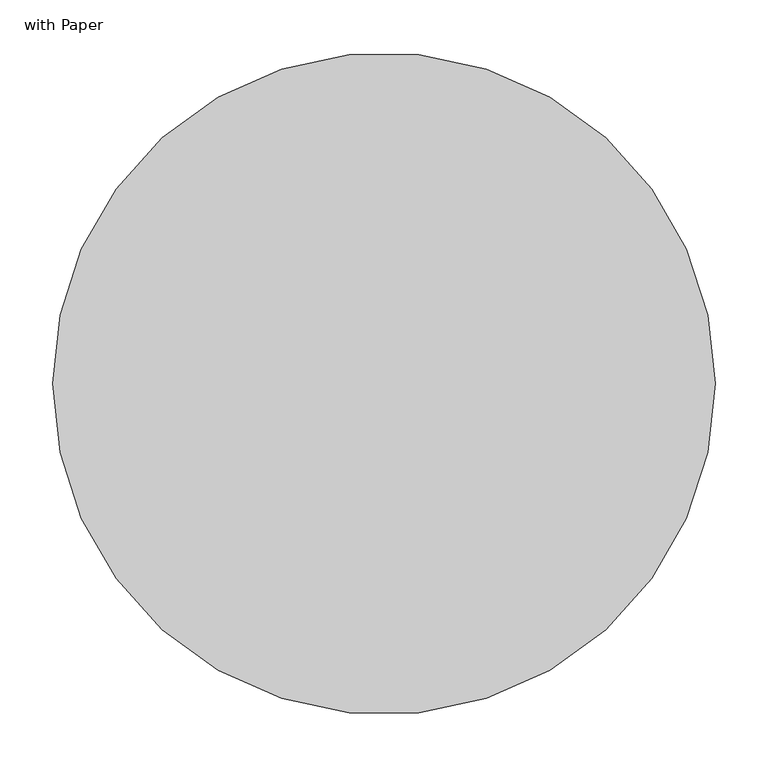
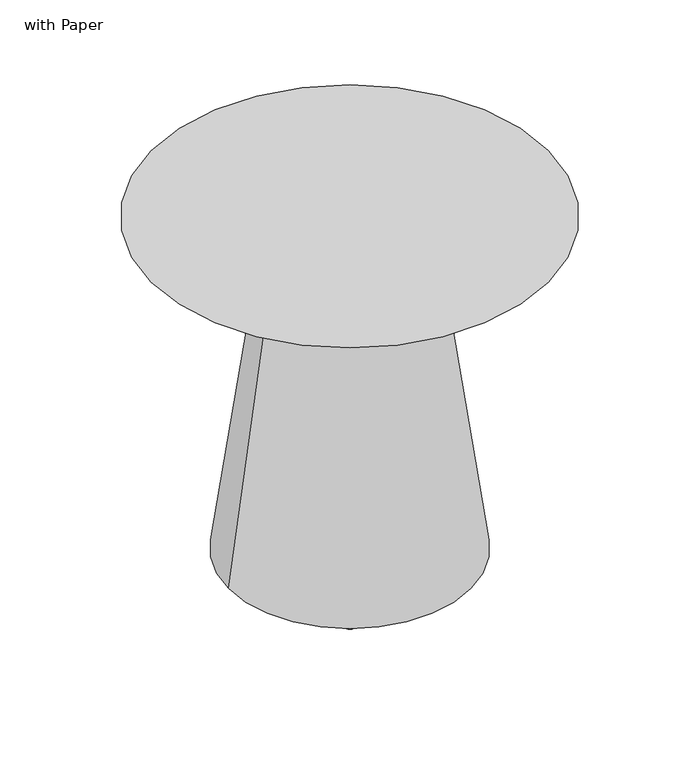
"""IFC4 building model written with IfcOpenShell, lengths in millimetres: furniture geometry, with Paper."""

from ifc_helpers import new_model, si_unit, point, frame, frame_2d, origin, origin_with_axes, place, context, project, spatial, polyline, circle_curve, trimmed, segment, composite_curve, outline, extrude, source, transform, mapped, element, save
from ifc_brep_helpers import plane_surface, revolved_surface, advanced_brep


def with_paper_dd9e00ab(model_context):
    return source(origin(), model_context, "Body", "SolidModel", [
        extrude(outline(composite_curve([segment(trimmed(circle_curve(frame_2d((-87.63, 151.7904)), 9.525), [point((-97.155, 151.7904))], [point((-78.105, 151.7904))], False, "CARTESIAN"), True, "CONTINUOUS"), segment(trimmed(circle_curve(frame_2d((-87.63, 151.7904)), 9.525), [point((-78.105, 151.7904))], [point((-97.155, 151.7904))], False, "CARTESIAN"), True, "CONTINUOUS")], self_intersect=False)), origin_with_axes(), (0.0, 0.0, 1.0), 5.5626),
        extrude(outline(composite_curve([segment(trimmed(circle_curve(frame_2d((87.63, 151.7904)), 9.525), [point((78.105, 151.7904))], [point((97.155, 151.7904))], False, "CARTESIAN"), True, "CONTINUOUS"), segment(trimmed(circle_curve(frame_2d((87.63, 151.7904)), 9.525), [point((97.155, 151.7904))], [point((78.105, 151.7904))], False, "CARTESIAN"), True, "CONTINUOUS")], self_intersect=False)), origin_with_axes(), (0.0, 0.0, 1.0), 5.5626),
        extrude(outline(composite_curve([segment(trimmed(circle_curve(frame_2d((175.26, 0.0)), 9.525), [point((165.735, 0.0))], [point((184.785, 0.0))], False, "CARTESIAN"), True, "CONTINUOUS"), segment(trimmed(circle_curve(frame_2d((175.26, 0.0)), 9.525), [point((184.785, 0.0))], [point((165.735, 0.0))], False, "CARTESIAN"), True, "CONTINUOUS")], self_intersect=False)), origin_with_axes(), (0.0, 0.0, 1.0), 5.5626),
        extrude(outline(composite_curve([segment(trimmed(circle_curve(frame_2d((87.63, -151.7688245)), 9.525), [point((78.105, -151.7688245))], [point((97.155, -151.7688245))], False, "CARTESIAN"), True, "CONTINUOUS"), segment(trimmed(circle_curve(frame_2d((87.63, -151.7688245)), 9.525), [point((97.155, -151.7688245))], [point((78.105, -151.7688245))], False, "CARTESIAN"), True, "CONTINUOUS")], self_intersect=False)), origin_with_axes(), (0.0, 0.0, 1.0), 5.5626),
        extrude(outline(composite_curve([segment(trimmed(circle_curve(frame_2d((-87.63, -151.7688245)), 9.525), [point((-97.155, -151.7688245))], [point((-78.105, -151.7688245))], False, "CARTESIAN"), True, "CONTINUOUS"), segment(trimmed(circle_curve(frame_2d((-87.63, -151.7688245)), 9.525), [point((-78.105, -151.7688245))], [point((-97.155, -151.7688245))], False, "CARTESIAN"), True, "CONTINUOUS")], self_intersect=False)), origin_with_axes(), (0.0, 0.0, 1.0), 5.5626),
        extrude(outline(composite_curve([segment(trimmed(circle_curve(frame_2d((-175.26, 0.0)), 9.525), [point((-184.785, 0.0))], [point((-165.735, 0.0))], False, "CARTESIAN"), True, "CONTINUOUS"), segment(trimmed(circle_curve(frame_2d((-175.26, 0.0)), 9.525), [point((-165.735, 0.0))], [point((-184.785, 0.0))], False, "CARTESIAN"), True, "CONTINUOUS")], self_intersect=False)), origin_with_axes(), (0.0, 0.0, 1.0), 5.5626),
        advanced_brep(
        [(-313.4233, 0.0, 559.1211053), (313.4233, 0.0, 559.1211053), (-127.0, 0.0, 469.2142), (127.0, 0.0, 469.2142)],
        [
            (0, 1, circle_curve(frame((0.0, 0.0, 559.1211053), z_axis=(0.0, 0.0, 1.0), x_axis=(-1.0, 0.0, 0.0)), 313.4233)),
            (1, 0, circle_curve(frame((0.0, 0.0, 559.1211053), z_axis=(0.0, 0.0, 1.0), x_axis=(1.0, 0.0, 0.0)), 313.4233)),
            (2, 3, circle_curve(frame((0.0, 0.0, 469.2142), z_axis=(0.0, 0.0, -1.0), x_axis=(1.0, 0.0, 0.0)), 127.0)),
            (3, 2, circle_curve(frame((0.0, 0.0, 469.2142), z_axis=(0.0, 0.0, -1.0), x_axis=(-1.0, 0.0, 0.0)), 127.0)),
            (3, 1),
            (0, 2),
        ],
        [
            plane_surface(frame((0.0, 0.0, 559.1211053), z_axis=(0.0, 0.0, 1.0), x_axis=(0.0, -1.0, 0.0))),
            plane_surface(frame((0.0, 0.0, 469.2142), z_axis=(0.0, 0.0, -1.0), x_axis=(0.0, -1.0, 0.0))),
            revolved_surface(polyline([(126.99999993697708, 0.0, 469.2142), (313.4233, 0.0, 559.1211053)]), (0.0, 0.0, 407.9655419), (0.0, 0.0, 1.0)),
            revolved_surface(polyline([(-126.99999993697708, 0.0, 469.2142), (-313.4233, 0.0, 559.1211053)]), (0.0, 0.0, 407.9655419), (0.0, 0.0, 1.0)),
        ],
        [
            (0, [[1, 2]]),
            (1, [[3, 4]]),
            (2, [[-4, 5, -1, 6]]),
            (3, [[-3, -6, -2, -5]]),
        ],
    ),
        advanced_brep(
        [(-127.0, 0.0, 469.2142), (127.0, 0.0, 469.2142), (-191.3128, 0.0, 5.5626), (191.3128, 0.0, 5.5626)],
        [
            (0, 1, circle_curve(frame((0.0, 0.0, 469.2142), z_axis=(0.0, 0.0, 1.0), x_axis=(-1.0, 0.0, 0.0)), 127.0)),
            (1, 0, circle_curve(frame((0.0, 0.0, 469.2142), z_axis=(0.0, 0.0, 1.0), x_axis=(1.0, 0.0, 0.0)), 127.0)),
            (2, 3, circle_curve(frame((0.0, 0.0, 5.5626), z_axis=(0.0, 0.0, -1.0), x_axis=(1.0, 0.0, 0.0)), 191.3128)),
            (3, 2, circle_curve(frame((0.0, 0.0, 5.5626), z_axis=(0.0, 0.0, -1.0), x_axis=(-1.0, 0.0, 0.0)), 191.3128)),
            (3, 1),
            (0, 2),
        ],
        [
            plane_surface(frame((0.0, 0.0, 469.2142), z_axis=(0.0, 0.0, 1.0), x_axis=(0.0, -1.0, 0.0))),
            plane_surface(frame((0.0, 0.0, 5.5626), z_axis=(0.0, 0.0, -1.0), x_axis=(0.0, -1.0, 0.0))),
            revolved_surface(polyline([(-127.00000000102392, 0.0, 469.2142000000001), (-191.3128, 0.0, 5.562599999999975)]), (0.0, 0.0, 1384.7979283), (0.0, 0.0, -1.0)),
            revolved_surface(polyline([(127.00000000102392, 0.0, 469.2142000000001), (191.3128, 0.0, 5.562599999999975)]), (0.0, 0.0, 1384.7979283), (0.0, 0.0, -1.0)),
        ],
        [
            (0, [[1, 2]]),
            (1, [[3, 4]]),
            (2, [[-4, 5, -1, 6]]),
            (3, [[-3, -6, -2, -5]]),
        ],
    ),
    ])


if __name__ == "__main__":
    model = new_model("IFC4")
    model_context = context("Model", 3, world=origin())
    ifc_project = project(units=[si_unit("LENGTHUNIT", "METRE", prefix="MILLI")], contexts=[model_context])
    site = spatial("IfcSite", under=ifc_project)
    building = spatial("IfcBuilding", under=site)
    placement = place(None, origin())
    with_paper_shape = with_paper_dd9e00ab(model_context)
    element("IfcFurniture", 1, ObjectType="with Paper", at=placement, inside=building, context=model_context, shape_type="MappedRepresentation", body=[
        mapped(with_paper_shape, transform((0.0, 0.0, 0.0), x_axis=(1.0, 0.0, 0.0), y_axis=(0.0, 1.0, 0.0), z_axis=(0.0, 0.0, 1.0))),
    ])
    save(model, "model.ifc")
